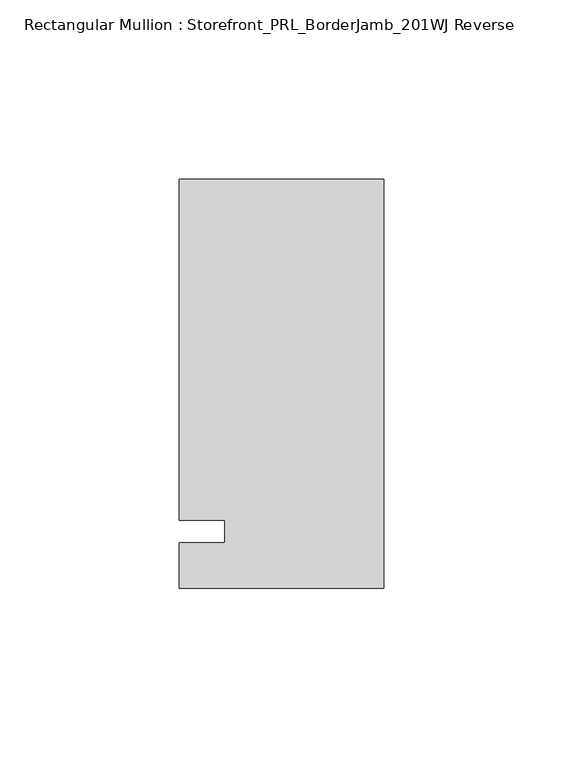
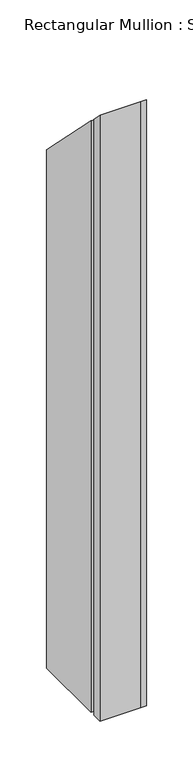
"""IFC4 building model written with IfcOpenShell, lengths in millimetres: member geometry, Rectangular Mullion : Storefront_PRL_BorderJamb_201WJ Reverse."""

from ifc_helpers import new_model, si_unit, origin, place, context, project, spatial, faceted_brep, source, transform, mapped, element, save


def rectangular_mullion_storefront_prl_borderjamb_201wj_reverse_c20f573e(model_context):
    return source(origin(), model_context, "Body", "Brep", [
        faceted_brep([(-44.45, 3.175, -774.7), (-57.15, 3.175, -774.7), (-57.15, 98.425, -774.7), (-6.35, 98.425, -774.7), (0.0, 98.425, -774.7), (0.0, -15.875, -774.7), (-7.3958824, -15.875, -774.7), (-57.15, -15.875, -774.7), (-57.15, -3.175, -774.7), (-44.45, -3.175, -774.7), (-44.45, -3.175, 3.175), (-44.45, 3.175, -3.175), (-57.15, -3.175, 3.175), (-57.15, -15.875, 15.875), (-7.3958824, -15.875, 15.875), (0.0, -15.875, 15.875), (0.0, 98.425, -98.425), (-6.35, 98.425, -98.425), (-57.15, 98.425, -98.425), (-57.15, 3.175, -3.175)], [[[0, 1, 2, 3, 4, 5, 6, 7, 8, 9]], [[10, 11, 0, 9]], [[12, 10, 9, 8]], [[13, 12, 8, 7]], [[14, 13, 7, 6]], [[15, 14, 6, 5]], [[16, 15, 5, 4]], [[17, 16, 4, 3]], [[18, 17, 3, 2]], [[19, 18, 2, 1]], [[11, 19, 1, 0]], [[11, 10, 12, 13, 14, 15, 16, 17, 18, 19]]]),
    ])


if __name__ == "__main__":
    model = new_model("IFC4")
    model_context = context("Model", 3, world=origin())
    ifc_project = project(units=[si_unit("LENGTHUNIT", "METRE", prefix="MILLI")], contexts=[model_context])
    site = spatial("IfcSite", under=ifc_project)
    building = spatial("IfcBuilding", under=site)
    placement = place(None, origin())
    rectangular_mullion_storefront_prl_borderjamb_201wj_reverse_shape = rectangular_mullion_storefront_prl_borderjamb_201wj_reverse_c20f573e(model_context)
    element("IfcMember", 1, ObjectType="Rectangular Mullion : Storefront_PRL_BorderJamb_201WJ Reverse", at=placement, inside=building, context=model_context, shape_type="MappedRepresentation", body=[
        mapped(rectangular_mullion_storefront_prl_borderjamb_201wj_reverse_shape, transform((0.0, 0.0, 0.0), x_axis=(1.0, 0.0, 0.0), y_axis=(0.0, 1.0, 0.0), z_axis=(0.0, 0.0, 1.0))),
    ])
    save(model, "model.ifc")
